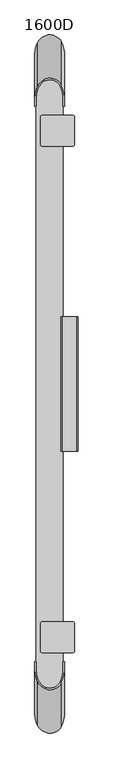
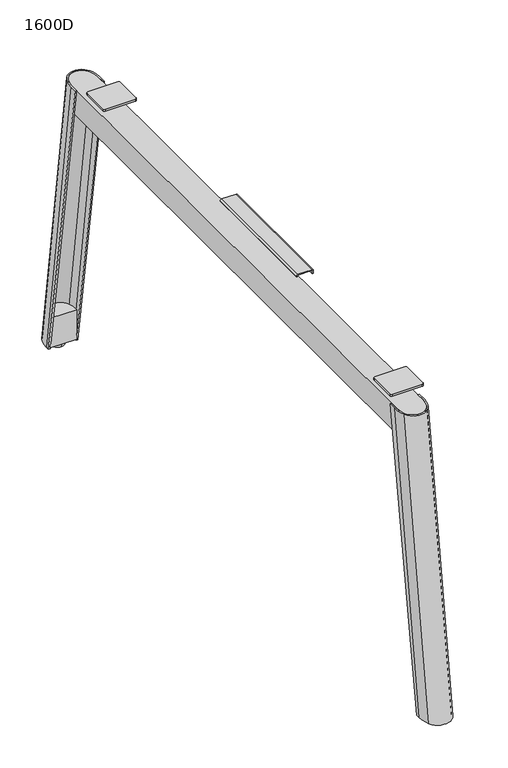
"""IFC4 building model written with IfcOpenShell, lengths in millimetres: furniture geometry, 1600D."""

from ifc_helpers import new_model, si_unit, point, frame, frame_2d, origin, place, context, project, spatial, polyline, circle_curve, trimmed, segment, composite_curve, outline, extrude, source, transform, mapped, element, save
from ifc_brep_helpers import plane_surface, cylinder_surface, extruded_surface, advanced_brep


def furniture_1600d_76b43579(model_context):
    return source(origin(), model_context, "Body", "SolidModel", [
        extrude(outline(composite_curve([segment(polyline([(68.8203133, -718.8300936), (68.8203133, -730.4460962)]), True, "CONTINUOUS"), segment(trimmed(circle_curve(frame_2d((39.1601565, -730.4460962)), 29.6601567), [point((68.8203133, -730.4460962))], [point((9.4999998, -730.4460962))], False, "CARTESIAN"), True, "CONTINUOUS"), segment(polyline([(9.4999998, -730.4460962), (9.4999998, -718.8300936), (68.8203133, -718.8300936)]), True, "CONTINUOUS")], self_intersect=False)), frame((0.0, 0.0, 13.8007201), z_axis=(0.0, 0.0, 1.0), x_axis=(1.0, 0.0, 0.0)), (0.0, 0.0, 1.0), 70.145074),
        extrude(outline(composite_curve([segment(polyline([(68.8203133, 718.8300936), (9.4999998, 718.8300936), (9.4999998, 730.4460962)]), True, "CONTINUOUS"), segment(trimmed(circle_curve(frame_2d((39.1601565, 730.4460962)), 29.6601567), [point((9.4999998, 730.4460962))], [point((68.8203133, 730.4460962))], False, "CARTESIAN"), True, "CONTINUOUS"), segment(polyline([(68.8203133, 730.4460962), (68.8203133, 718.8300936)]), True, "CONTINUOUS")], self_intersect=False)), frame((0.0, 0.0, 13.8007201), z_axis=(0.0, 0.0, 1.0), x_axis=(1.0, 0.0, 0.0)), (0.0, 0.0, 1.0), 70.145074),
        advanced_brep(
        [(39.0898793, -742.200725, 0.0), (39.0898793, -756.4078157, 0.0), (39.0898793, -727.9936344, 0.0), (39.0898793, -756.4078157, 8.4999997), (39.0898793, -727.9936344, 8.4999997), (39.0898793, -747.225164, 8.4999997), (39.0898793, -737.1762861, 8.4999997), (39.0898793, -747.225164, 16.425781), (39.0898793, -737.1762861, 16.425781), (39.0898793, -742.200725, 16.425781)],
        [
            (0, 1),
            (1, 2, circle_curve(frame((39.0898793, -742.200725, 0.0), z_axis=(0.0, 0.0, -1.0), x_axis=(0.0, -1.0, 0.0)), 14.2070907)),
            (2, 0),
            (2, 1, circle_curve(frame((39.0898793, -742.200725, 0.0), z_axis=(0.0, 0.0, -1.0), x_axis=(0.0, -1.0, 0.0)), 14.2070907)),
            (1, 3),
            (3, 4, circle_curve(frame((39.0898793, -742.200725, 8.4999997), z_axis=(0.0, 0.0, -1.0), x_axis=(0.0, -1.0, 0.0)), 14.2070907)),
            (4, 2),
            (4, 3, circle_curve(frame((39.0898793, -742.200725, 8.4999997), z_axis=(0.0, 0.0, -1.0), x_axis=(0.0, -1.0, 0.0)), 14.2070907)),
            (3, 5),
            (5, 6, circle_curve(frame((39.0898793, -742.200725, 8.4999997), z_axis=(0.0, 0.0, -1.0), x_axis=(0.0, -1.0, 0.0)), 5.024439)),
            (6, 4),
            (6, 5, circle_curve(frame((39.0898793, -742.200725, 8.4999997), z_axis=(0.0, 0.0, -1.0), x_axis=(0.0, -1.0, 0.0)), 5.024439)),
            (5, 7),
            (7, 8, circle_curve(frame((39.0898793, -742.200725, 16.425781), z_axis=(0.0, 0.0, -1.0), x_axis=(0.0, -1.0, 0.0)), 5.024439)),
            (8, 6),
            (8, 7, circle_curve(frame((39.0898793, -742.200725, 16.425781), z_axis=(0.0, 0.0, -1.0), x_axis=(0.0, -1.0, 0.0)), 5.024439)),
            (7, 9),
            (9, 8),
        ],
        [
            plane_surface(frame((39.0898793, -742.200725, 0.0), z_axis=(0.0, 0.0, -1.0), x_axis=(0.0, -1.0, 0.0))),
            cylinder_surface(frame((39.0898793, -742.200725, 8.2128905), z_axis=(0.0, 0.0, -1.0), x_axis=(0.0, -1.0, 0.0)), 14.2070907),
            plane_surface(frame((39.0898793, -742.200725, 8.4999997), z_axis=(0.0, 0.0, 1.0), x_axis=(0.0, -1.0, 0.0))),
            cylinder_surface(frame((39.0898793, -742.200725, 8.2128905), z_axis=(0.0, 0.0, -1.0), x_axis=(0.0, -1.0, 0.0)), 5.024439),
            plane_surface(frame((39.0898793, -742.200725, 16.425781), z_axis=(0.0, 0.0, 1.0), x_axis=(0.0, -1.0, 0.0))),
        ],
        [
            (0, [[1, 2, 3]]),
            (0, [[-3, 4, -1]]),
            (1, [[-2, 5, 6, 7]]),
            (1, [[-4, -7, 8, -5]]),
            (2, [[-6, 9, 10, 11]]),
            (2, [[-8, -11, 12, -9]]),
            (3, [[-10, 13, 14, 15]]),
            (3, [[-12, -15, 16, -13]]),
            (4, [[-14, 17, 18]]),
            (4, [[-16, -18, -17]]),
        ],
    ),
        advanced_brep(
        [(6.0, -720.3455716, 9.9999392), (9.4999998, -720.3455716, 9.9999392), (9.4999998, -729.1330566, 9.9999392), (13.8271404, -752.6027447, 9.9999392), (64.8959051, -752.9141888, 9.9999392), (68.8203133, -732.3335408, 9.9999392), (68.8203133, -720.3455716, 9.9999392), (72.000002, -720.3455716, 9.9999392), (72.000002, -732.3335408, 9.9999392), (65.9903208, -757.1868484, 9.9999392), (12.3278754, -756.6042925, 9.9999392), (6.0, -729.1330566, 9.9999392), (6.0, -615.6790679, 689.9999617), (6.0, -632.8830566, 689.9999617), (12.3278754, -660.3542925, 689.9999617), (65.9903208, -660.9368484, 689.9999617), (72.000002, -636.0835408, 689.9999617), (72.000002, -615.6790679, 689.9999617), (68.8203133, -615.6790679, 689.9999617), (68.8203133, -636.0835408, 689.9999617), (64.8959051, -656.6641888, 689.9999617), (13.8271404, -656.3527447, 689.9999617), (9.4999998, -632.8830566, 689.9999617), (9.4999998, -615.6790679, 689.9999617)],
        [
            (0, 1),
            (1, 2),
            (2, 3, circle_curve(frame((75.3114051, -729.1330566, 9.9999392), z_axis=(0.0, 0.0, 1.0), x_axis=(1.0, 0.0, 0.0)), 65.8114053)),
            (3, 4, circle_curve(frame((39.4220553, -742.8326894, 9.9999392), z_axis=(0.0, 0.0, 1.0), x_axis=(1.0, 0.0, 0.0)), 27.3962343)),
            (4, 5, circle_curve(frame((12.8928932, -732.3335408, 9.9999392), z_axis=(0.0, 0.0, 1.0), x_axis=(1.0, 0.0, 0.0)), 55.9274201)),
            (5, 6),
            (6, 7),
            (7, 8),
            (8, 9, circle_curve(frame((17.6041738, -732.3335408, 9.9999392), z_axis=(0.0, 0.0, -1.0), x_axis=(1.0, 0.0, 0.0)), 54.3958282)),
            (9, 10, circle_curve(frame((39.3047374, -743.4799291, 9.9999392), z_axis=(0.0, 0.0, -1.0), x_axis=(1.0, 0.0, 0.0)), 30.0)),
            (10, 11, circle_curve(frame((68.794442, -729.1330566, 9.9999392), z_axis=(0.0, 0.0, -1.0), x_axis=(1.0, 0.0, 0.0)), 62.794442)),
            (11, 0),
            (12, 13),
            (13, 14, circle_curve(frame((68.794442, -632.8830566, 689.9999617), z_axis=(0.0, 0.0, 1.0), x_axis=(1.0, 0.0, 0.0)), 62.794442)),
            (14, 15, circle_curve(frame((39.3047374, -647.2299291, 689.9999617), z_axis=(0.0, 0.0, 1.0), x_axis=(1.0, 0.0, 0.0)), 30.0)),
            (15, 16, circle_curve(frame((17.6041738, -636.0835408, 689.9999617), z_axis=(0.0, 0.0, 1.0), x_axis=(1.0, 0.0, 0.0)), 54.3958282)),
            (16, 17),
            (17, 18),
            (18, 19),
            (19, 20, circle_curve(frame((12.8928932, -636.0835408, 689.9999617), z_axis=(0.0, 0.0, -1.0), x_axis=(1.0, 0.0, 0.0)), 55.9274201)),
            (20, 21, circle_curve(frame((39.4220553, -646.5826894, 689.9999617), z_axis=(0.0, 0.0, -1.0), x_axis=(1.0, 0.0, 0.0)), 27.3962343)),
            (21, 22, circle_curve(frame((75.3114051, -632.8830566, 689.9999617), z_axis=(0.0, 0.0, -1.0), x_axis=(1.0, 0.0, 0.0)), 65.8114053)),
            (22, 23),
            (23, 12),
            (22, 2),
            (1, 23),
            (21, 3),
            (20, 4),
            (19, 5),
            (18, 6),
            (16, 8),
            (7, 17),
            (15, 9),
            (14, 10),
            (13, 11),
            (12, 0),
        ],
        [
            plane_surface(frame((39.140156, -735.301963, 9.9999392), z_axis=(0.0, 0.0, -1.0), x_axis=(0.0, -1.0, 0.0))),
            plane_surface(frame((39.140156, -636.2464618, 689.9999617), z_axis=(0.0, 0.0, 1.0), x_axis=(0.0, -1.0, 0.0))),
            plane_surface(frame((9.4999998, -624.2810623, 689.9999617), z_axis=(1.0, 0.0, 0.0), x_axis=(0.0, -1.0, 0.0))),
            extruded_surface(trimmed(circle_curve(frame((75.3114051, -632.8830566, 689.9999617), z_axis=(0.0, 0.0, 1.0), x_axis=(1.0, 0.0, 0.0)), 65.8114053), [point((9.4999998, -632.8830566, 689.9999617))], [point((13.8271404, -656.3527447, 689.9999617))], True, "CARTESIAN"), (0.0, -96.25, -680.0000225), 686.778052284725),
            extruded_surface(trimmed(circle_curve(frame((39.4220553, -646.5826894, 689.9999617), z_axis=(0.0, 0.0, 1.0), x_axis=(1.0, 0.0, 0.0)), 27.3962343), [point((13.8271404, -656.3527447, 689.9999617))], [point((64.8959051, -656.6641888, 689.9999617))], True, "CARTESIAN"), (0.0, -96.25, -680.0000225), 686.778052284725),
            extruded_surface(trimmed(circle_curve(frame((12.8928932, -636.0835408, 689.9999617), z_axis=(0.0, 0.0, 1.0), x_axis=(1.0, 0.0, 0.0)), 55.9274201), [point((64.8959051, -656.6641888, 689.9999617))], [point((68.8203133, -636.0835408, 689.9999617))], True, "CARTESIAN"), (0.0, -96.25, -680.0000225), 686.778052284725),
            plane_surface(frame((68.8203133, -625.8813044, 689.9999617), z_axis=(-1.0, 0.0, 0.0), x_axis=(0.0, 1.0, 0.0))),
            plane_surface(frame((72.000002, -625.8813044, 689.9999617), z_axis=(1.0, 0.0, 0.0), x_axis=(0.0, -1.0, 0.0))),
            extruded_surface(trimmed(circle_curve(frame((17.6041738, -636.0835408, 689.9999617), z_axis=(0.0, 0.0, -1.0), x_axis=(1.0, 0.0, 0.0)), 54.3958282), [point((72.000002, -636.0835408, 689.9999617))], [point((65.9903208, -660.9368484, 689.9999617))], True, "CARTESIAN"), (0.0, -96.25, -680.0000225), 686.778052284725),
            extruded_surface(trimmed(circle_curve(frame((39.3047374, -647.2299291, 689.9999617), z_axis=(0.0, 0.0, -1.0), x_axis=(1.0, 0.0, 0.0)), 30.0), [point((65.9903208, -660.9368484, 689.9999617))], [point((12.3278754, -660.3542925, 689.9999617))], True, "CARTESIAN"), (0.0, -96.25, -680.0000225), 686.778052284725),
            extruded_surface(trimmed(circle_curve(frame((68.794442, -632.8830566, 689.9999617), z_axis=(0.0, 0.0, -1.0), x_axis=(1.0, 0.0, 0.0)), 62.794442), [point((12.3278754, -660.3542925, 689.9999617))], [point((6.0, -632.8830566, 689.9999617))], True, "CARTESIAN"), (0.0, -96.25, -680.0000225), 686.778052284725),
            plane_surface(frame((6.0, -624.2810623, 689.9999617), z_axis=(-1.0, 0.0, 0.0), x_axis=(0.0, 1.0, 0.0))),
            plane_surface(frame((70.4101576, -615.6790679, 689.9999617), z_axis=(0.0, 0.9883605292443499, -0.15212976116404248), x_axis=(1.0, 0.0, 0.0))),
            plane_surface(frame((7.7499999, -615.6790679, 689.9999617), z_axis=(0.0, 0.9883605292443499, -0.15212976116404248), x_axis=(1.0, 0.0, 0.0))),
        ],
        [
            (0, [[1, 2, 3, 4, 5, 6, 7, 8, 9, 10, 11, 12]]),
            (1, [[13, 14, 15, 16, 17, 18, 19, 20, 21, 22, 23, 24]]),
            (2, [[-23, 25, -2, 26]]),
            (3, [[-22, 27, -3, -25]]),
            (4, [[-21, 28, -4, -27]]),
            (5, [[-20, 29, -5, -28]]),
            (6, [[-19, 30, -6, -29]]),
            (7, [[-17, 31, -8, 32]]),
            (8, [[-16, 33, -9, -31]]),
            (9, [[-15, 34, -10, -33]]),
            (10, [[-14, 35, -11, -34]]),
            (11, [[-13, 36, -12, -35]]),
            (12, [[-18, -32, -7, -30]]),
            (13, [[-24, -26, -1, -36]]),
        ],
    ),
        extrude(outline(composite_curve([segment(polyline([(684.9999762, 101.9999968), (692.2639206, 101.9999968)]), True, "CONTINUOUS"), segment(trimmed(circle_curve(frame_2d((692.2639206, 99.2639174)), 2.7360794), [point((692.2639206, 101.9999968))], [point((695.0, 99.2639174))], False, "CARTESIAN"), True, "CONTINUOUS"), segment(polyline([(695.0, 99.2639174), (695.0, 67.4243659)]), True, "CONTINUOUS"), segment(trimmed(circle_curve(frame_2d((691.5717269, 67.4243659)), 3.4282731), [point((695.0, 67.4243659))], [point((691.5717269, 63.9960928))], False, "CARTESIAN"), True, "CONTINUOUS"), segment(polyline([(691.5717269, 63.9960928), (659.9999033, 63.9960928), (659.9999033, 66.0000003), (691.8821336, 66.0000003)]), True, "CONTINUOUS"), segment(trimmed(circle_curve(frame_2d((691.8821336, 67.1177906)), 1.1177903), [point((691.8821336, 66.0000003))], [point((692.9999239, 67.1177906))], True, "CARTESIAN"), True, "CONTINUOUS"), segment(polyline([(692.9999239, 67.1177906), (692.9999239, 99.3771905)]), True, "CONTINUOUS"), segment(trimmed(circle_curve(frame_2d((692.3771136, 99.3771905)), 0.6228103), [point((692.9999239, 99.3771905))], [point((692.3771136, 100.0000008))], True, "CARTESIAN"), True, "CONTINUOUS"), segment(polyline([(692.3771136, 100.0000008), (684.9999762, 100.0000008), (684.9999762, 101.9999968)]), True, "CONTINUOUS")], self_intersect=False)), frame((0.0, -149.0310489, 0.0), z_axis=(0.0, 1.0, 0.0), x_axis=(0.0, 0.0, 1.0)), (0.0, 0.0, 1.0), 297.4145122),
        extrude(outline(composite_curve([segment(trimmed(circle_curve(frame_2d((90.5088092, 591.4878107)), 3.4951004), [point((90.5088092, 594.9829111))], [point((94.0039096, 591.4878107))], False, "CARTESIAN"), True, "CONTINUOUS"), segment(polyline([(94.0039096, 591.4878107), (94.0039096, 530.4829193)]), True, "CONTINUOUS"), segment(trimmed(circle_curve(frame_2d((90.5039096, 530.4829193)), 3.5), [point((94.0039096, 530.4829193))], [point((90.5039096, 526.9829193))], False, "CARTESIAN"), True, "CONTINUOUS"), segment(polyline([(90.5039096, 526.9829193), (22.5039068, 526.9829193)]), True, "CONTINUOUS"), segment(trimmed(circle_curve(frame_2d((22.5039068, 530.4829193)), 3.5), [point((22.5039068, 526.9829193))], [point((19.0039068, 530.4829193))], False, "CARTESIAN"), True, "CONTINUOUS"), segment(polyline([(19.0039068, 530.4829193), (19.0039068, 591.4829111)]), True, "CONTINUOUS"), segment(trimmed(circle_curve(frame_2d((22.5039068, 591.4829111)), 3.5), [point((19.0039068, 591.4829111))], [point((22.5039068, 594.9829111))], False, "CARTESIAN"), True, "CONTINUOUS"), segment(polyline([(22.5039068, 594.9829111), (90.5088092, 594.9829111)]), True, "CONTINUOUS")], self_intersect=False)), frame((0.0, 0.0, 689.9999617), z_axis=(0.0, 0.0, 1.0), x_axis=(1.0, 0.0, 0.0)), (0.0, 0.0, 1.0), 5.0000383),
        extrude(outline(composite_curve([segment(polyline([(90.5088092, -594.9829111), (22.5039068, -594.9829111)]), True, "CONTINUOUS"), segment(trimmed(circle_curve(frame_2d((22.5039068, -591.4829111)), 3.5), [point((22.5039068, -594.9829111))], [point((19.0039068, -591.4829111))], False, "CARTESIAN"), True, "CONTINUOUS"), segment(polyline([(19.0039068, -591.4829111), (19.0039068, -530.4829193)]), True, "CONTINUOUS"), segment(trimmed(circle_curve(frame_2d((22.5039068, -530.4829193)), 3.5), [point((19.0039068, -530.4829193))], [point((22.5039068, -526.9829193))], False, "CARTESIAN"), True, "CONTINUOUS"), segment(polyline([(22.5039068, -526.9829193), (90.5039096, -526.9829193)]), True, "CONTINUOUS"), segment(trimmed(circle_curve(frame_2d((90.5039096, -530.4829193)), 3.5), [point((90.5039096, -526.9829193))], [point((94.0039096, -530.4829193))], False, "CARTESIAN"), True, "CONTINUOUS"), segment(polyline([(94.0039096, -530.4829193), (94.0039096, -591.4878107)]), True, "CONTINUOUS"), segment(trimmed(circle_curve(frame_2d((90.5088092, -591.4878107)), 3.4951004), [point((94.0039096, -591.4878107))], [point((90.5088092, -594.9829111))], False, "CARTESIAN"), True, "CONTINUOUS")], self_intersect=False)), frame((0.0, 0.0, 689.9999617), z_axis=(0.0, 0.0, 1.0), x_axis=(1.0, 0.0, 0.0)), (0.0, 0.0, 1.0), 5.0000383),
        advanced_brep(
        [(39.0898793, 727.9936344, 0.0), (39.0898793, 756.4078157, 0.0), (39.0898793, 742.200725, 0.0), (39.0898793, 727.9936344, 8.4999997), (39.0898793, 756.4078157, 8.4999997), (39.0898793, 737.1762861, 8.4999997), (39.0898793, 747.225164, 8.4999997), (39.0898793, 737.1762861, 16.425781), (39.0898793, 747.225164, 16.425781), (39.0898793, 742.200725, 16.425781)],
        [
            (0, 1, circle_curve(frame((39.0898793, 742.200725, 0.0), z_axis=(0.0, 0.0, -1.0), x_axis=(0.0, 1.0, 0.0)), 14.2070907)),
            (1, 2),
            (2, 0),
            (1, 0, circle_curve(frame((39.0898793, 742.200725, 0.0), z_axis=(0.0, 0.0, -1.0), x_axis=(0.0, 1.0, 0.0)), 14.2070907)),
            (3, 4, circle_curve(frame((39.0898793, 742.200725, 8.4999997), z_axis=(0.0, 0.0, -1.0), x_axis=(0.0, 1.0, 0.0)), 14.2070907)),
            (4, 1),
            (0, 3),
            (4, 3, circle_curve(frame((39.0898793, 742.200725, 8.4999997), z_axis=(0.0, 0.0, -1.0), x_axis=(0.0, 1.0, 0.0)), 14.2070907)),
            (5, 6, circle_curve(frame((39.0898793, 742.200725, 8.4999997), z_axis=(0.0, 0.0, -1.0), x_axis=(0.0, 1.0, 0.0)), 5.024439)),
            (6, 4),
            (3, 5),
            (6, 5, circle_curve(frame((39.0898793, 742.200725, 8.4999997), z_axis=(0.0, 0.0, -1.0), x_axis=(0.0, 1.0, 0.0)), 5.024439)),
            (7, 8, circle_curve(frame((39.0898793, 742.200725, 16.425781), z_axis=(0.0, 0.0, -1.0), x_axis=(0.0, 1.0, 0.0)), 5.024439)),
            (8, 6),
            (5, 7),
            (8, 7, circle_curve(frame((39.0898793, 742.200725, 16.425781), z_axis=(0.0, 0.0, -1.0), x_axis=(0.0, 1.0, 0.0)), 5.024439)),
            (9, 8),
            (7, 9),
        ],
        [
            plane_surface(frame((39.0898793, 742.200725, 0.0), z_axis=(0.0, 0.0, -1.0), x_axis=(0.0, 1.0, 0.0))),
            cylinder_surface(frame((39.0898793, 742.200725, 8.2128905), z_axis=(0.0, 0.0, 1.0), x_axis=(0.0, 1.0, 0.0)), 14.2070907),
            plane_surface(frame((39.0898793, 742.200725, 8.4999997), z_axis=(0.0, 0.0, 1.0), x_axis=(0.0, 1.0, 0.0))),
            cylinder_surface(frame((39.0898793, 742.200725, 8.2128905), z_axis=(0.0, 0.0, 1.0), x_axis=(0.0, 1.0, 0.0)), 5.024439),
            plane_surface(frame((39.0898793, 742.200725, 16.425781), z_axis=(0.0, 0.0, 1.0), x_axis=(0.0, 1.0, 0.0))),
        ],
        [
            (0, [[1, 2, 3]]),
            (0, [[4, -3, -2]]),
            (1, [[5, 6, -1, 7]]),
            (1, [[8, -7, -4, -6]]),
            (2, [[9, 10, -5, 11]]),
            (2, [[12, -11, -8, -10]]),
            (3, [[13, 14, -9, 15]]),
            (3, [[16, -15, -12, -14]]),
            (4, [[17, -13, 18]]),
            (4, [[-18, -16, -17]]),
        ],
    ),
        advanced_brep(
        [(6.0, 720.3455716, 9.9999392), (6.0, 729.1330566, 9.9999392), (12.3278754, 756.6042925, 9.9999392), (65.9903208, 757.1868484, 9.9999392), (72.000002, 732.3335408, 9.9999392), (72.000002, 720.3455716, 9.9999392), (68.8203133, 720.3455716, 9.9999392), (68.8203133, 732.3335408, 9.9999392), (64.8959051, 752.9141888, 9.9999392), (13.8271404, 752.6027447, 9.9999392), (9.4999998, 729.1330566, 9.9999392), (9.4999998, 720.3455716, 9.9999392), (6.0, 615.6790679, 689.9999617), (9.4999998, 615.6790679, 689.9999617), (9.4999998, 632.8830566, 689.9999617), (13.8271404, 656.3527447, 689.9999617), (64.8959051, 656.6641888, 689.9999617), (68.8203133, 636.0835408, 689.9999617), (68.8203133, 615.6790679, 689.9999617), (72.000002, 615.6790679, 689.9999617), (72.000002, 636.0835408, 689.9999617), (65.9903208, 660.9368484, 689.9999617), (12.3278754, 660.3542925, 689.9999617), (6.0, 632.8830566, 689.9999617)],
        [
            (0, 1),
            (1, 2, circle_curve(frame((68.794442, 729.1330566, 9.9999392), z_axis=(0.0, 0.0, -1.0), x_axis=(1.0, 0.0, 0.0)), 62.794442)),
            (2, 3, circle_curve(frame((39.3047374, 743.4799291, 9.9999392), z_axis=(0.0, 0.0, -1.0), x_axis=(1.0, 0.0, 0.0)), 30.0)),
            (3, 4, circle_curve(frame((17.6041738, 732.3335408, 9.9999392), z_axis=(0.0, 0.0, -1.0), x_axis=(1.0, 0.0, 0.0)), 54.3958282)),
            (4, 5),
            (5, 6),
            (6, 7),
            (7, 8, circle_curve(frame((12.8928932, 732.3335408, 9.9999392), z_axis=(0.0, 0.0, 1.0), x_axis=(1.0, 0.0, 0.0)), 55.9274201)),
            (8, 9, circle_curve(frame((39.4220553, 742.8326894, 9.9999392), z_axis=(0.0, 0.0, 1.0), x_axis=(1.0, 0.0, 0.0)), 27.3962343)),
            (9, 10, circle_curve(frame((75.3114051, 729.1330566, 9.9999392), z_axis=(0.0, 0.0, 1.0), x_axis=(1.0, 0.0, 0.0)), 65.8114053)),
            (10, 11),
            (11, 0),
            (12, 13),
            (13, 14),
            (14, 15, circle_curve(frame((75.3114051, 632.8830566, 689.9999617), z_axis=(0.0, 0.0, -1.0), x_axis=(1.0, 0.0, 0.0)), 65.8114053)),
            (15, 16, circle_curve(frame((39.4220553, 646.5826894, 689.9999617), z_axis=(0.0, 0.0, -1.0), x_axis=(1.0, 0.0, 0.0)), 27.3962343)),
            (16, 17, circle_curve(frame((12.8928932, 636.0835408, 689.9999617), z_axis=(0.0, 0.0, -1.0), x_axis=(1.0, 0.0, 0.0)), 55.9274201)),
            (17, 18),
            (18, 19),
            (19, 20),
            (20, 21, circle_curve(frame((17.6041738, 636.0835408, 689.9999617), z_axis=(0.0, 0.0, 1.0), x_axis=(1.0, 0.0, 0.0)), 54.3958282)),
            (21, 22, circle_curve(frame((39.3047374, 647.2299291, 689.9999617), z_axis=(0.0, 0.0, 1.0), x_axis=(1.0, 0.0, 0.0)), 30.0)),
            (22, 23, circle_curve(frame((68.794442, 632.8830566, 689.9999617), z_axis=(0.0, 0.0, 1.0), x_axis=(1.0, 0.0, 0.0)), 62.794442)),
            (23, 12),
            (13, 11),
            (10, 14),
            (9, 15),
            (8, 16),
            (7, 17),
            (6, 18),
            (19, 5),
            (4, 20),
            (3, 21),
            (2, 22),
            (1, 23),
            (0, 12),
        ],
        [
            plane_surface(frame((39.140156, 735.301963, 9.9999392), z_axis=(0.0, 0.0, -1.0), x_axis=(0.0, -1.0, 0.0))),
            plane_surface(frame((39.140156, 636.2464618, 689.9999617), z_axis=(0.0, 0.0, 1.0), x_axis=(0.0, -1.0, 0.0))),
            plane_surface(frame((9.4999998, 624.2810623, 689.9999617), z_axis=(1.0, 0.0, 0.0), x_axis=(0.0, -1.0, 0.0))),
            extruded_surface(trimmed(circle_curve(frame((75.3114051, 632.8830566, 689.9999617), z_axis=(0.0, 0.0, 1.0), x_axis=(1.0, 0.0, 0.0)), 65.8114053), [point((13.8271404, 656.3527447, 689.9999617))], [point((9.4999998, 632.8830566, 689.9999617))], True, "CARTESIAN"), (0.0, 96.25, -680.0000225), 686.778052284725),
            extruded_surface(trimmed(circle_curve(frame((39.4220553, 646.5826894, 689.9999617), z_axis=(0.0, 0.0, 1.0), x_axis=(1.0, 0.0, 0.0)), 27.3962343), [point((64.8959051, 656.6641888, 689.9999617))], [point((13.8271404, 656.3527447, 689.9999617))], True, "CARTESIAN"), (0.0, 96.25, -680.0000225), 686.778052284725),
            extruded_surface(trimmed(circle_curve(frame((12.8928932, 636.0835408, 689.9999617), z_axis=(0.0, 0.0, 1.0), x_axis=(1.0, 0.0, 0.0)), 55.9274201), [point((68.8203133, 636.0835408, 689.9999617))], [point((64.8959051, 656.6641888, 689.9999617))], True, "CARTESIAN"), (0.0, 96.25, -680.0000225), 686.778052284725),
            plane_surface(frame((68.8203133, 625.8813044, 689.9999617), z_axis=(-1.0, 0.0, 0.0), x_axis=(0.0, 1.0, 0.0))),
            plane_surface(frame((72.000002, 625.8813044, 689.9999617), z_axis=(1.0, 0.0, 0.0), x_axis=(0.0, -1.0, 0.0))),
            extruded_surface(trimmed(circle_curve(frame((17.6041738, 636.0835408, 689.9999617), z_axis=(0.0, 0.0, -1.0), x_axis=(1.0, 0.0, 0.0)), 54.3958282), [point((65.9903208, 660.9368484, 689.9999617))], [point((72.000002, 636.0835408, 689.9999617))], True, "CARTESIAN"), (0.0, 96.25, -680.0000225), 686.778052284725),
            extruded_surface(trimmed(circle_curve(frame((39.3047374, 647.2299291, 689.9999617), z_axis=(0.0, 0.0, -1.0), x_axis=(1.0, 0.0, 0.0)), 30.0), [point((12.3278754, 660.3542925, 689.9999617))], [point((65.9903208, 660.9368484, 689.9999617))], True, "CARTESIAN"), (0.0, 96.25, -680.0000225), 686.778052284725),
            extruded_surface(trimmed(circle_curve(frame((68.794442, 632.8830566, 689.9999617), z_axis=(0.0, 0.0, -1.0), x_axis=(1.0, 0.0, 0.0)), 62.794442), [point((6.0, 632.8830566, 689.9999617))], [point((12.3278754, 660.3542925, 689.9999617))], True, "CARTESIAN"), (0.0, 96.25, -680.0000225), 686.778052284725),
            plane_surface(frame((6.0, 624.2810623, 689.9999617), z_axis=(-1.0, 0.0, 0.0), x_axis=(0.0, 1.0, 0.0))),
            plane_surface(frame((70.4101576, 615.6790679, 689.9999617), z_axis=(0.0, -0.9883605292443499, -0.15212976116404248), x_axis=(-1.0, 0.0, 0.0))),
            plane_surface(frame((7.7499999, 615.6790679, 689.9999617), z_axis=(0.0, -0.9883605292443499, -0.15212976116404248), x_axis=(-1.0, 0.0, 0.0))),
        ],
        [
            (0, [[1, 2, 3, 4, 5, 6, 7, 8, 9, 10, 11, 12]]),
            (1, [[13, 14, 15, 16, 17, 18, 19, 20, 21, 22, 23, 24]]),
            (2, [[-14, 25, -11, 26]]),
            (3, [[-15, -26, -10, 27]]),
            (4, [[-16, -27, -9, 28]]),
            (5, [[-17, -28, -8, 29]]),
            (6, [[-18, -29, -7, 30]]),
            (7, [[-20, 31, -5, 32]]),
            (8, [[-21, -32, -4, 33]]),
            (9, [[-22, -33, -3, 34]]),
            (10, [[-23, -34, -2, 35]]),
            (11, [[-24, -35, -1, 36]]),
            (12, [[-19, -30, -6, -31]]),
            (13, [[-13, -36, -12, -25]]),
        ],
    ),
        extrude(outline(composite_curve([segment(trimmed(circle_curve(frame_2d((39.1601565, 644.6940728)), 29.6601567), [point((9.4999998, 644.6940728))], [point((68.8203133, 644.6940728))], False, "CARTESIAN"), True, "CONTINUOUS"), segment(polyline([(68.8203133, 644.6940728), (68.8203133, -644.903505)]), True, "CONTINUOUS"), segment(trimmed(circle_curve(frame_2d((39.1601565, -644.903505)), 29.6601567), [point((68.8203133, -644.903505))], [point((9.4999998, -644.903505))], False, "CARTESIAN"), True, "CONTINUOUS"), segment(polyline([(9.4999998, -644.903505), (9.4999998, 644.6940728)]), True, "CONTINUOUS")], self_intersect=False)), frame((0.0, 0.0, 629.5582913), z_axis=(0.0, 0.0, 1.0), x_axis=(1.0, 0.0, 0.0)), (0.0, 0.0, 1.0), 60.4416704),
    ])


if __name__ == "__main__":
    model = new_model("IFC4")
    model_context = context("Model", 3, world=origin())
    ifc_project = project(units=[si_unit("LENGTHUNIT", "METRE", prefix="MILLI")], contexts=[model_context])
    site = spatial("IfcSite", under=ifc_project)
    building = spatial("IfcBuilding", under=site)
    placement = place(None, origin())
    furniture_1600d_shape = furniture_1600d_76b43579(model_context)
    element("IfcFurniture", 1, ObjectType="1600D", at=placement, inside=building, context=model_context, shape_type="MappedRepresentation", body=[
        mapped(furniture_1600d_shape, transform((0.0, 0.0, 0.0), x_axis=(1.0, 0.0, 0.0), y_axis=(0.0, 1.0, 0.0), z_axis=(0.0, 0.0, 1.0))),
    ])
    save(model, "model.ifc")
